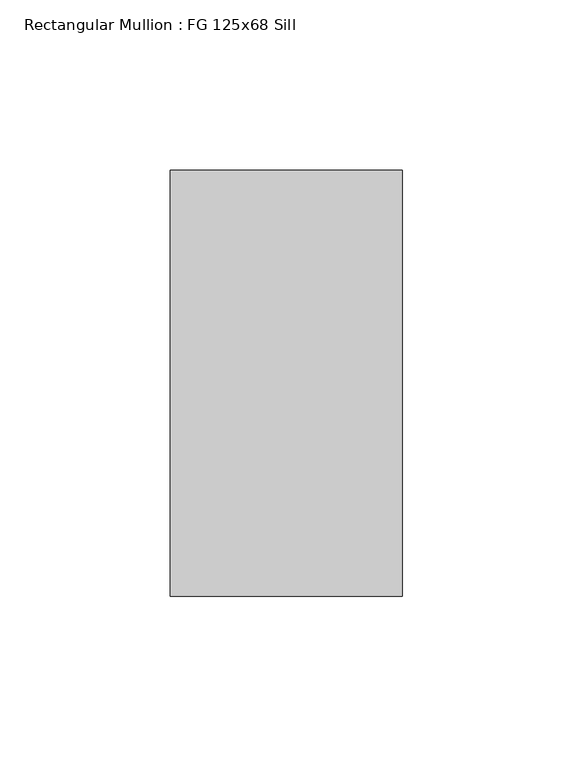
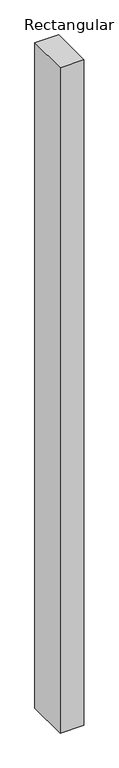
"""IFC4 building model written with IfcOpenShell, lengths in millimetres: member geometry, Rectangular Mullion : FG 125x68 Sill."""

from ifc_helpers import new_model, si_unit, frame, origin, place, context, project, spatial, polyline, outline, extrude, source, transform, mapped, element, save


def rectangular_mullion_fg_125x68_sill_eff8dea8(model_context):
    return source(origin(), model_context, "Body", "SweptSolid", [
        extrude(outline(polyline([(0.0, 62.5), (0.0, -62.5), (-68.0, -62.5), (-68.0, 62.5), (0.0, 62.5)])), frame((0.0, 0.0, -2016.666723), z_axis=(0.0, 0.0, 1.0), x_axis=(1.0, 0.0, 0.0)), (0.0, 0.0, 1.0), 2016.666723),
    ])


if __name__ == "__main__":
    model = new_model("IFC4")
    model_context = context("Model", 3, world=origin())
    ifc_project = project(units=[si_unit("LENGTHUNIT", "METRE", prefix="MILLI")], contexts=[model_context])
    site = spatial("IfcSite", under=ifc_project)
    building = spatial("IfcBuilding", under=site)
    placement = place(None, origin())
    rectangular_mullion_fg_125x68_sill_shape = rectangular_mullion_fg_125x68_sill_eff8dea8(model_context)
    element("IfcMember", 1, ObjectType="Rectangular Mullion : FG 125x68 Sill", at=placement, inside=building, context=model_context, shape_type="MappedRepresentation", body=[
        mapped(rectangular_mullion_fg_125x68_sill_shape, transform((0.0, 0.0, 0.0), x_axis=(1.0, 0.0, 0.0), y_axis=(0.0, 1.0, 0.0), z_axis=(0.0, 0.0, 1.0))),
    ])
    save(model, "model.ifc")
